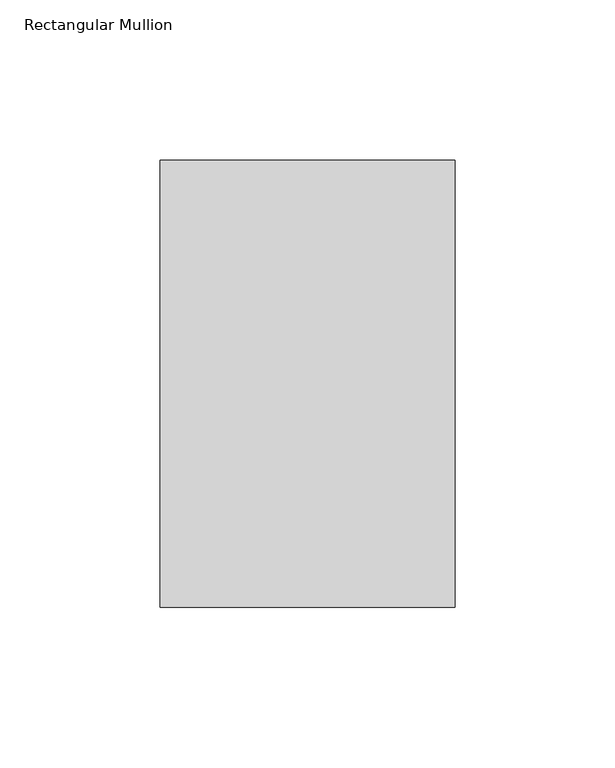
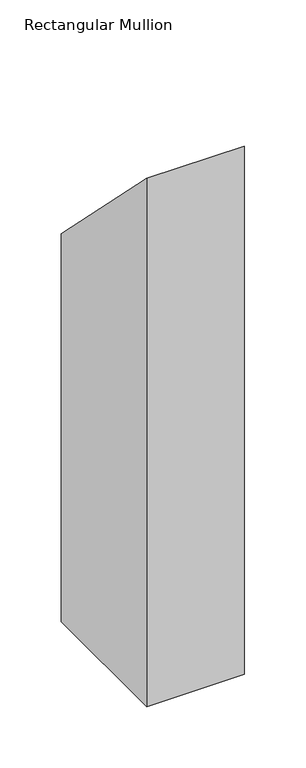
"""IFC4 building model written with IfcOpenShell, lengths in millimetres: member geometry, Rectangular Mullion."""

import ifcopenshell
import ifcopenshell.guid

model = None  # the IFC model being written
_history = None  # IfcOwnerHistory: only IFC2X3 demands one
_inside = {}  # id of a spatial element -> (the spatial element, [elements in it])
_under = {}  # id of a project, library or spatial element -> (it, [spatial elements below it])
_declared = {}  # id of a project -> (the project, [libraries it declares])
_typed = {}  # id of a type object -> (the type object, [elements of that type])
_made_of = {}  # id of a material, layer set ... -> (it, [elements and type objects made of it])


def new_model(schema):
    """Start an empty IFC model of exactly this schema.

    Asked for "IFC4X3", IfcOpenShell would pick the latest addendum, in which some entities
    have other attributes; the version numbers below select the first issue.
    IFC2X3 requires an IfcOwnerHistory on every rooted entity: one is made here for all.
    """
    global model, _history
    if schema == "IFC4X3":
        model = ifcopenshell.file(schema_version=(4, 3, 0, 0))
    else:
        model = ifcopenshell.file(schema=schema)
    _inside.clear()
    _under.clear()
    _declared.clear()
    _typed.clear()
    _made_of.clear()
    _history = None
    if model.schema == "IFC2X3":
        org = make("IfcOrganization", Name="unknown")
        user = make(
            "IfcPersonAndOrganization",
            ThePerson=make("IfcPerson", FamilyName="unknown"),
            TheOrganization=org,
        )
        app = make(
            "IfcApplication",
            ApplicationDeveloper=org,
            Version="unknown",
            ApplicationFullName="unknown",
            ApplicationIdentifier="unknown",
        )
        _history = make(
            "IfcOwnerHistory",
            OwningUser=user,
            OwningApplication=app,
            ChangeAction="ADDED",
            CreationDate=0,
        )
    return model


def make(cls, **values):
    """One entity of the class cls with the attributes given. An attribute that is None is left unset."""
    return model.create_entity(
        cls, **{name: value for name, value in values.items() if value is not None}
    )


def rooted(cls, **values):
    """An entity with a GlobalId (a new one), such as an element, a storey or a relation."""
    return make(cls, GlobalId=ifcopenshell.guid.new(), OwnerHistory=_history, **values)


def si_unit(unit_type, name, prefix=None):
    """IfcSIUnit, for example si_unit("LENGTHUNIT", "METRE", prefix="MILLI")."""
    return make("IfcSIUnit", UnitType=unit_type, Prefix=prefix, Name=name)


def assignment(units):
    """IfcUnitAssignment: the units of a project."""
    return None if units is None else make("IfcUnitAssignment", Units=units)


def point(xyz):
    """IfcCartesianPoint."""
    return None if xyz is None else make("IfcCartesianPoint", Coordinates=xyz)


def direction(xyz):
    """IfcDirection."""
    return None if xyz is None else make("IfcDirection", DirectionRatios=xyz)


def frame(location, z_axis=None, x_axis=None):
    """IfcAxis2Placement3D, a coordinate frame: its origin and axes. An axis left out is left unset."""
    return make(
        "IfcAxis2Placement3D",
        Location=point(location),
        Axis=direction(z_axis),
        RefDirection=direction(x_axis),
    )


def origin():
    """The frame at (0, 0, 0) with its axes left unset."""
    return frame((0.0, 0.0, 0.0))


def place(relative_to, where):
    """IfcLocalPlacement: puts the frame where relative to a parent placement (None: the world)."""
    return make(
        "IfcLocalPlacement", PlacementRelTo=relative_to, RelativePlacement=where
    )


def context(
    kind, dimensions, precision=None, world=None, true_north=None, identifier=None
):
    """IfcGeometricRepresentationContext, for example the 3D "Model" context."""
    return make(
        "IfcGeometricRepresentationContext",
        ContextIdentifier=identifier,
        ContextType=kind,
        CoordinateSpaceDimension=dimensions,
        Precision=precision,
        WorldCoordinateSystem=world,
        TrueNorth=true_north,
    )


def project(units=None, contexts=None):
    """IfcProject with its units and contexts."""
    return rooted(
        "IfcProject",
        Name="project",
        RepresentationContexts=contexts,
        UnitsInContext=assignment(units),
    )


def spatial(cls, under=None, at=None, **own):
    """A site, building, storey or space (cls), placed at a placement, below another one or the project."""
    s = rooted(cls, ObjectPlacement=at, **own)
    if under is not None:
        _under.setdefault(under.id(), (under, []))[1].append(s)
    return s


def polyline(points):
    """IfcPolyline through the points."""
    return make("IfcPolyline", Points=[point(p) for p in points])


def outline(outer, holes=None, kind="AREA"):
    """IfcArbitraryClosedProfileDef: a profile drawn as a closed curve; with holes, ...WithVoids."""
    if holes is None:
        return make("IfcArbitraryClosedProfileDef", ProfileType=kind, OuterCurve=outer)
    return make(
        "IfcArbitraryProfileDefWithVoids",
        ProfileType=kind,
        OuterCurve=outer,
        InnerCurves=holes,
    )


def extrude(swept, where, along, depth):
    """IfcExtrudedAreaSolid: the profile swept, set in the frame where, extruded along a direction by depth."""
    return make(
        "IfcExtrudedAreaSolid",
        SweptArea=swept,
        Position=where,
        ExtrudedDirection=direction(along),
        Depth=depth,
    )


def shape(context_of_items, identifier, shape_type, items):
    """IfcShapeRepresentation: the items that make up one representation, for example the "Body"."""
    return make(
        "IfcShapeRepresentation",
        ContextOfItems=context_of_items,
        RepresentationIdentifier=identifier,
        RepresentationType=shape_type,
        Items=items,
    )


def source(mapping_origin, context_of_items, identifier, shape_type, items):
    """IfcRepresentationMap: a shape defined once, which mapped items show again and again."""
    return make(
        "IfcRepresentationMap",
        MappingOrigin=mapping_origin,
        MappedRepresentation=shape(context_of_items, identifier, shape_type, items),
    )


def transform(
    local_origin,
    x_axis=None,
    y_axis=None,
    z_axis=None,
    scale=None,
    scale2=None,
    scale3=None,
    uniform=True,
):
    """IfcCartesianTransformationOperator3D, or its non-uniform kind. x_axis, y_axis, z_axis: its Axis1, 2, 3."""
    if uniform:
        return make(
            "IfcCartesianTransformationOperator3D",
            Axis1=direction(x_axis),
            Axis2=direction(y_axis),
            LocalOrigin=point(local_origin),
            Scale=scale,
            Axis3=direction(z_axis),
        )
    return make(
        "IfcCartesianTransformationOperator3DnonUniform",
        Axis1=direction(x_axis),
        Axis2=direction(y_axis),
        LocalOrigin=point(local_origin),
        Scale=scale,
        Axis3=direction(z_axis),
        Scale2=scale2,
        Scale3=scale3,
    )


def mapped(mapping_source, mapping_target):
    """IfcMappedItem: shows the shape of a source again, moved by a transform."""
    return make(
        "IfcMappedItem", MappingSource=mapping_source, MappingTarget=mapping_target
    )


def made_of(thing, what):
    """Note that an element or type object is made of a material, layer set ...; save() writes the relation."""
    if what is not None:
        _made_of.setdefault(what.id(), (what, []))[1].append(thing)
    return thing


def element(
    cls,
    number,
    at=None,
    inside=None,
    cuts=None,
    type_object=None,
    material=None,
    context=None,
    identifier="Body",
    shape_type=None,
    held_by="IfcProductDefinitionShape",
    body=None,
    shapes=None,
    **own,
):
    """One element of the class cls, such as IfcWall. Its Tag is "e" and its number.

    at: its placement. inside: the storey or other place that contains it. cuts: it is an
    opening in that element (IfcRelVoidsElement). A single representation is given by context,
    identifier, shape_type and body (its items); several are given by shapes. held_by: the class
    of the entity that holds the representations. save() writes the other relations.
    """
    e = rooted(cls, Tag="e%d" % number, ObjectPlacement=at, **own)
    if body is not None:
        shapes = [shape(context, identifier, shape_type, body)]
    if shapes is not None:
        e.Representation = make(held_by, Representations=shapes)
    if inside is not None:
        _inside.setdefault(inside.id(), (inside, []))[1].append(e)
    if cuts is not None:
        rooted(
            "IfcRelVoidsElement", RelatingBuildingElement=cuts, RelatedOpeningElement=e
        )
    if type_object is not None:
        _typed.setdefault(type_object.id(), (type_object, []))[1].append(e)
    return made_of(e, material)


def aggregate(whole, parts):
    """IfcRelAggregates: a whole, such as a stair, and the parts it consists of."""
    return rooted("IfcRelAggregates", RelatingObject=whole, RelatedObjects=parts)


def save(model, path):
    """Write the relations noted so far, then the file.

    IfcRelAggregates (storeys below a building ...), IfcRelContainedInSpatialStructure (elements
    in a storey), IfcRelDefinesByType, IfcRelAssociatesMaterial and IfcRelDeclares: one each for
    every whole, place, type object, material and project.
    """
    for whole, parts in _under.values():
        aggregate(whole, parts)
    for where, things in _inside.values():
        rooted(
            "IfcRelContainedInSpatialStructure",
            RelatedElements=things,
            RelatingStructure=where,
        )
    for kind, things in _typed.values():
        rooted("IfcRelDefinesByType", RelatedObjects=things, RelatingType=kind)
    for what, things in _made_of.values():
        rooted("IfcRelAssociatesMaterial", RelatedObjects=things, RelatingMaterial=what)
    for by, libraries in _declared.values():
        rooted("IfcRelDeclares", RelatingContext=by, RelatedDefinitions=libraries)
    model.write(path)


def rectangular_mullion_99c82015(model_context):
    return source(origin(), model_context, "Body", "SweptSolid", [
        extrude(outline(polyline([(50.8198168, -50.8198168), (190.4182179, -190.4182179), (190.4182179, -577.5618687), (50.8198168, -577.5618687), (50.8198168, -50.8198168)])), frame((-92.0626246, 0.0, 0.0), z_axis=(1.0, 0.0, 0.0), x_axis=(0.0, 1.0, 0.0)), (0.0, 0.0, 1.0), 92.0626246),
    ])


if __name__ == "__main__":
    model = new_model("IFC4")
    model_context = context("Model", 3, world=origin())
    ifc_project = project(units=[si_unit("LENGTHUNIT", "METRE", prefix="MILLI")], contexts=[model_context])
    site = spatial("IfcSite", under=ifc_project)
    building = spatial("IfcBuilding", under=site)
    placement = place(None, origin())
    rectangular_mullion_shape = rectangular_mullion_99c82015(model_context)
    element("IfcMember", 1, ObjectType="Rectangular Mullion", at=placement, inside=building, context=model_context, shape_type="MappedRepresentation", body=[
        mapped(rectangular_mullion_shape, transform((0.0, 0.0, 0.0), x_axis=(1.0, 0.0, 0.0), y_axis=(0.0, 1.0, 0.0), z_axis=(0.0, 0.0, 1.0))),
    ])
    save(model, "model.ifc")
